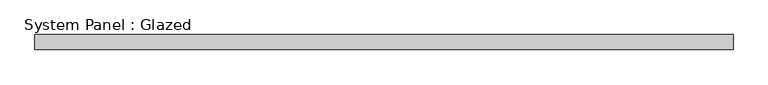
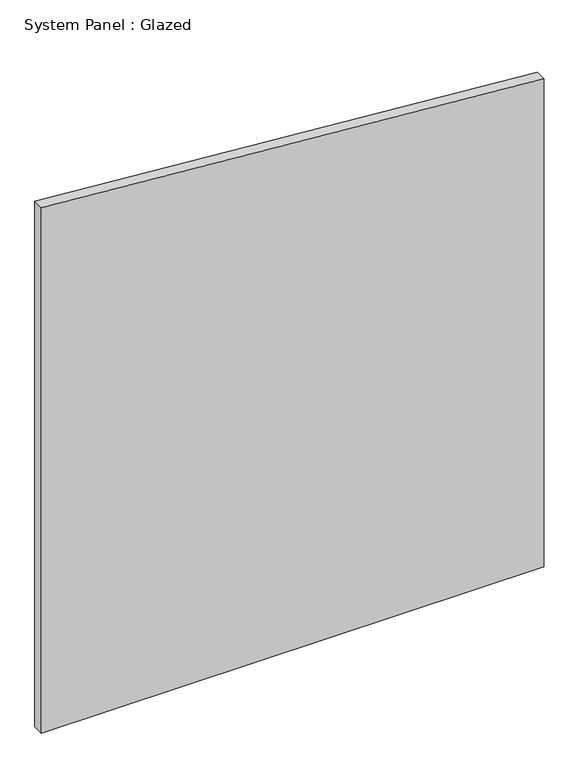
"""IFC4 building model written with IfcOpenShell, lengths in millimetres: plate geometry, System Panel : Glazed."""

from ifc_helpers import new_model, si_unit, frame, origin, place, context, project, spatial, polyline, outline, extrude, source, transform, mapped, element, save


def system_panel_glazed_f3a18d95(model_context):
    return source(origin(), model_context, "Body", "SweptSolid", [
        extrude(outline(polyline([(0.0, -589.1625), (0.0, 589.1625), (1208.289885, 589.1625), (1301.3922084, -589.1625), (0.0, -589.1625)])), frame((0.0, 19.05, 0.0), z_axis=(0.0, 1.0, 0.0), x_axis=(0.0, 0.0, 1.0)), (0.0, 0.0, 1.0), 25.4),
    ])


if __name__ == "__main__":
    model = new_model("IFC4")
    model_context = context("Model", 3, world=origin())
    ifc_project = project(units=[si_unit("LENGTHUNIT", "METRE", prefix="MILLI")], contexts=[model_context])
    site = spatial("IfcSite", under=ifc_project)
    building = spatial("IfcBuilding", under=site)
    placement = place(None, origin())
    system_panel_glazed_shape = system_panel_glazed_f3a18d95(model_context)
    element("IfcPlate", 1, ObjectType="System Panel : Glazed", at=placement, inside=building, context=model_context, shape_type="MappedRepresentation", body=[
        mapped(system_panel_glazed_shape, transform((0.0, 0.0, 0.0), x_axis=(1.0, 0.0, 0.0), y_axis=(0.0, 1.0, 0.0), z_axis=(0.0, 0.0, 1.0))),
    ])
    save(model, "model.ifc")
